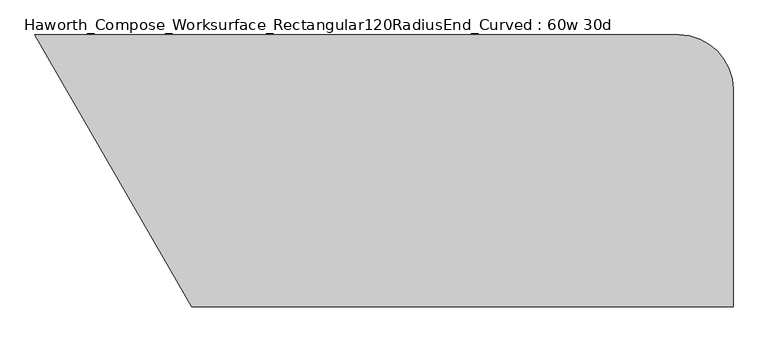
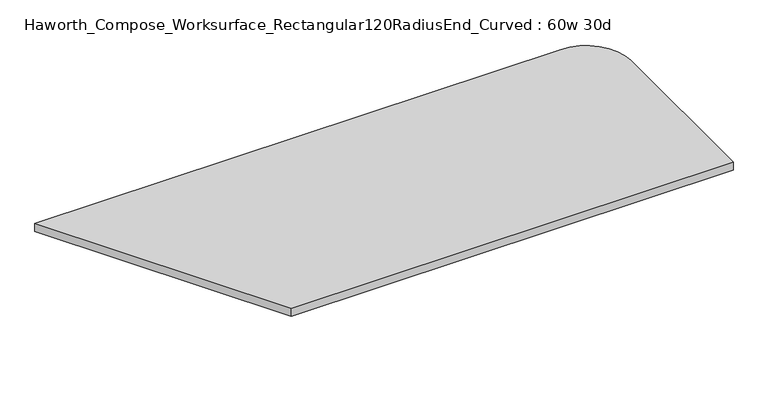
"""IFC4 building model written with IfcOpenShell, lengths in millimetres: furniture geometry, Haworth_Compose_Worksurface_Rectangular120RadiusEnd_Curved : 60w 30d."""

from ifc_helpers import new_model, si_unit, point, frame, frame_2d, origin, place, context, project, spatial, polyline, circle_curve, trimmed, segment, composite_curve, outline, extrude, source, transform, mapped, element, save


def haworth_compose_worksurface_rectangular120radiusend_curved_42a000fa(model_context):
    return source(origin(), model_context, "Body", "SweptSolid", [
        extrude(outline(composite_curve([segment(trimmed(circle_curve(frame_2d((609.6, 228.6)), 152.4), [point((609.6, 381.0))], [point((762.0, 228.6))], False, "CARTESIAN"), True, "CONTINUOUS"), segment(polyline([(762.0, 228.6), (762.0, -381.0), (-755.6127389, -381.0), (-1195.533987, 381.0), (609.6, 381.0)]), True, "CONTINUOUS")], self_intersect=False)), frame((0.0, 0.0, 706.4375), z_axis=(0.0, 0.0, 1.0), x_axis=(1.0, 0.0, 0.0)), (0.0, 0.0, 1.0), 30.1625),
    ])


if __name__ == "__main__":
    model = new_model("IFC4")
    model_context = context("Model", 3, world=origin())
    ifc_project = project(units=[si_unit("LENGTHUNIT", "METRE", prefix="MILLI")], contexts=[model_context])
    site = spatial("IfcSite", under=ifc_project)
    building = spatial("IfcBuilding", under=site)
    placement = place(None, origin())
    haworth_compose_worksurface_rectangular120radiusend_curved_shape = haworth_compose_worksurface_rectangular120radiusend_curved_42a000fa(model_context)
    element("IfcFurniture", 1, ObjectType="Haworth_Compose_Worksurface_Rectangular120RadiusEnd_Curved : 60w 30d", at=placement, inside=building, context=model_context, shape_type="MappedRepresentation", body=[
        mapped(haworth_compose_worksurface_rectangular120radiusend_curved_shape, transform((0.0, 0.0, 0.0), x_axis=(1.0, 0.0, 0.0), y_axis=(0.0, 1.0, 0.0), z_axis=(0.0, 0.0, 1.0))),
    ])
    save(model, "model.ifc")
